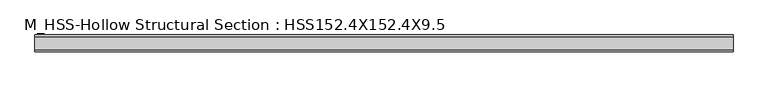
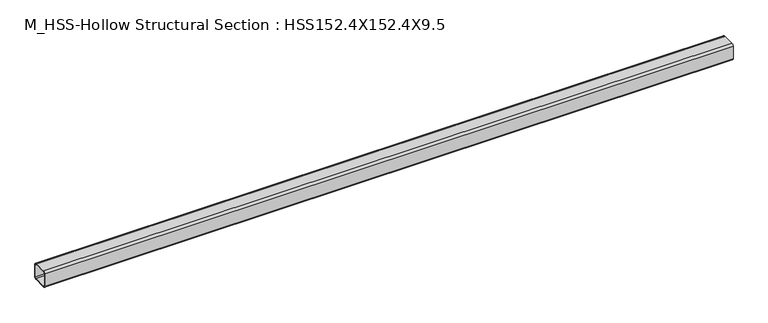
"""IFC4 building model written with IfcOpenShell, lengths in millimetres: member geometry, M_HSS-Hollow Structural Section : HSS152.4X152.4X9.5."""

from ifc_helpers import new_model, si_unit, point, frame, frame_2d, origin, place, context, project, spatial, polyline, circle_curve, trimmed, segment, composite_curve, outline, extrude, source, transform, mapped, element, save


def m_hss_hollow_structural_section_hss152_4x152_4x9_5_8394a573(model_context):
    return source(origin(), model_context, "Body", "SweptSolid", [
        extrude(outline(composite_curve([segment(polyline([(76.0, 58.2), (76.0, -58.2)]), True, "CONTINUOUS"), segment(trimmed(circle_curve(frame_2d((58.2, -58.2)), 17.8), [point((76.0, -58.2))], [point((58.2, -76.0))], False, "CARTESIAN"), True, "CONTINUOUS"), segment(polyline([(58.2, -76.0), (-58.2, -76.0)]), True, "CONTINUOUS"), segment(trimmed(circle_curve(frame_2d((-58.2, -58.2)), 17.8), [point((-58.2, -76.0))], [point((-76.0, -58.2))], False, "CARTESIAN"), True, "CONTINUOUS"), segment(polyline([(-76.0, -58.2), (-76.0, 58.2)]), True, "CONTINUOUS"), segment(trimmed(circle_curve(frame_2d((-58.2, 58.2)), 17.8), [point((-76.0, 58.2))], [point((-58.2, 76.0))], False, "CARTESIAN"), True, "CONTINUOUS"), segment(polyline([(-58.2, 76.0), (58.2, 76.0)]), True, "CONTINUOUS"), segment(trimmed(circle_curve(frame_2d((58.2, 58.2)), 17.8), [point((58.2, 76.0))], [point((76.0, 58.2))], False, "CARTESIAN"), True, "CONTINUOUS")], self_intersect=False), holes=[composite_curve([segment(trimmed(circle_curve(frame_2d((-58.2, 58.2)), 8.9), [point((-58.2, 67.1))], [point((-67.1, 58.2))], True, "CARTESIAN"), True, "CONTINUOUS"), segment(polyline([(-67.1, 58.2), (-67.1, -58.2)]), True, "CONTINUOUS"), segment(trimmed(circle_curve(frame_2d((-58.2, -58.2)), 8.9), [point((-67.1, -58.2))], [point((-58.2, -67.1))], True, "CARTESIAN"), True, "CONTINUOUS"), segment(polyline([(-58.2, -67.1), (58.2, -67.1)]), True, "CONTINUOUS"), segment(trimmed(circle_curve(frame_2d((58.2, -58.2)), 8.9), [point((58.2, -67.1))], [point((67.1, -58.2))], True, "CARTESIAN"), True, "CONTINUOUS"), segment(polyline([(67.1, -58.2), (67.1, 58.2)]), True, "CONTINUOUS"), segment(trimmed(circle_curve(frame_2d((58.2, 58.2)), 8.9), [point((67.1, 58.2))], [point((58.2, 67.1))], True, "CARTESIAN"), True, "CONTINUOUS"), segment(polyline([(58.2, 67.1), (-58.2, 67.1)]), True, "CONTINUOUS")], self_intersect=False)]), frame((-3122.9965821, 0.0, 0.0), z_axis=(1.0, 0.0, 0.0), x_axis=(0.0, 1.0, 0.0)), (0.0, 0.0, 1.0), 6244.306079),
    ])


if __name__ == "__main__":
    model = new_model("IFC4")
    model_context = context("Model", 3, world=origin())
    ifc_project = project(units=[si_unit("LENGTHUNIT", "METRE", prefix="MILLI")], contexts=[model_context])
    site = spatial("IfcSite", under=ifc_project)
    building = spatial("IfcBuilding", under=site)
    placement = place(None, origin())
    m_hss_hollow_structural_section_hss152_4x152_4x9_5_shape = m_hss_hollow_structural_section_hss152_4x152_4x9_5_8394a573(model_context)
    element("IfcMember", 1, ObjectType="M_HSS-Hollow Structural Section : HSS152.4X152.4X9.5", at=placement, inside=building, context=model_context, shape_type="MappedRepresentation", body=[
        mapped(m_hss_hollow_structural_section_hss152_4x152_4x9_5_shape, transform((0.0, 0.0, 0.0), x_axis=(1.0, 0.0, 0.0), y_axis=(0.0, 1.0, 0.0), z_axis=(0.0, 0.0, 1.0))),
    ])
    save(model, "model.ifc")
